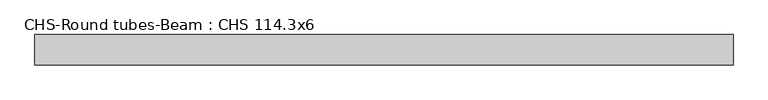
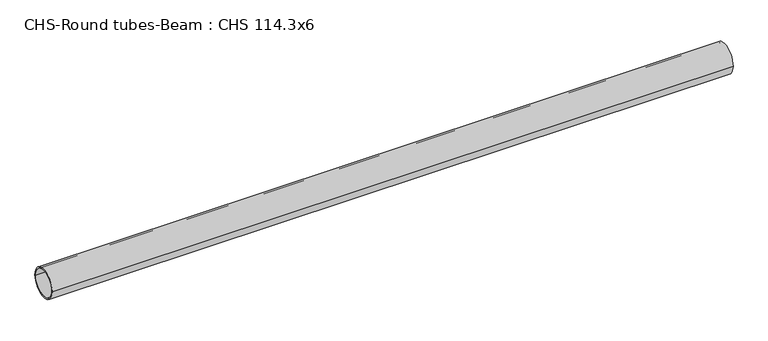
"""IFC4 building model written with IfcOpenShell, lengths in millimetres: beam geometry, CHS-Round tubes-Beam : CHS 114.3x6."""

import ifcopenshell
import ifcopenshell.guid

model = None  # the IFC model being written
_history = None  # IfcOwnerHistory: only IFC2X3 demands one
_inside = {}  # id of a spatial element -> (the spatial element, [elements in it])
_under = {}  # id of a project, library or spatial element -> (it, [spatial elements below it])
_declared = {}  # id of a project -> (the project, [libraries it declares])
_typed = {}  # id of a type object -> (the type object, [elements of that type])
_made_of = {}  # id of a material, layer set ... -> (it, [elements and type objects made of it])


def new_model(schema):
    """Start an empty IFC model of exactly this schema.

    Asked for "IFC4X3", IfcOpenShell would pick the latest addendum, in which some entities
    have other attributes; the version numbers below select the first issue.
    IFC2X3 requires an IfcOwnerHistory on every rooted entity: one is made here for all.
    """
    global model, _history
    if schema == "IFC4X3":
        model = ifcopenshell.file(schema_version=(4, 3, 0, 0))
    else:
        model = ifcopenshell.file(schema=schema)
    _inside.clear()
    _under.clear()
    _declared.clear()
    _typed.clear()
    _made_of.clear()
    _history = None
    if model.schema == "IFC2X3":
        org = make("IfcOrganization", Name="unknown")
        user = make(
            "IfcPersonAndOrganization",
            ThePerson=make("IfcPerson", FamilyName="unknown"),
            TheOrganization=org,
        )
        app = make(
            "IfcApplication",
            ApplicationDeveloper=org,
            Version="unknown",
            ApplicationFullName="unknown",
            ApplicationIdentifier="unknown",
        )
        _history = make(
            "IfcOwnerHistory",
            OwningUser=user,
            OwningApplication=app,
            ChangeAction="ADDED",
            CreationDate=0,
        )
    return model


def make(cls, **values):
    """One entity of the class cls with the attributes given. An attribute that is None is left unset."""
    return model.create_entity(
        cls, **{name: value for name, value in values.items() if value is not None}
    )


def rooted(cls, **values):
    """An entity with a GlobalId (a new one), such as an element, a storey or a relation."""
    return make(cls, GlobalId=ifcopenshell.guid.new(), OwnerHistory=_history, **values)


def si_unit(unit_type, name, prefix=None):
    """IfcSIUnit, for example si_unit("LENGTHUNIT", "METRE", prefix="MILLI")."""
    return make("IfcSIUnit", UnitType=unit_type, Prefix=prefix, Name=name)


def assignment(units):
    """IfcUnitAssignment: the units of a project."""
    return None if units is None else make("IfcUnitAssignment", Units=units)


def point(xyz):
    """IfcCartesianPoint."""
    return None if xyz is None else make("IfcCartesianPoint", Coordinates=xyz)


def direction(xyz):
    """IfcDirection."""
    return None if xyz is None else make("IfcDirection", DirectionRatios=xyz)


def frame(location, z_axis=None, x_axis=None):
    """IfcAxis2Placement3D, a coordinate frame: its origin and axes. An axis left out is left unset."""
    return make(
        "IfcAxis2Placement3D",
        Location=point(location),
        Axis=direction(z_axis),
        RefDirection=direction(x_axis),
    )


def frame_2d(location, x_axis=None):
    """IfcAxis2Placement2D, a coordinate frame in the plane: its origin and x axis."""
    return make(
        "IfcAxis2Placement2D", Location=point(location), RefDirection=direction(x_axis)
    )


def origin():
    """The frame at (0, 0, 0) with its axes left unset."""
    return frame((0.0, 0.0, 0.0))


def origin_2d():
    """The frame at (0, 0) in the plane with its x axis left unset."""
    return frame_2d((0.0, 0.0))


def place(relative_to, where):
    """IfcLocalPlacement: puts the frame where relative to a parent placement (None: the world)."""
    return make(
        "IfcLocalPlacement", PlacementRelTo=relative_to, RelativePlacement=where
    )


def context(
    kind, dimensions, precision=None, world=None, true_north=None, identifier=None
):
    """IfcGeometricRepresentationContext, for example the 3D "Model" context."""
    return make(
        "IfcGeometricRepresentationContext",
        ContextIdentifier=identifier,
        ContextType=kind,
        CoordinateSpaceDimension=dimensions,
        Precision=precision,
        WorldCoordinateSystem=world,
        TrueNorth=true_north,
    )


def project(units=None, contexts=None):
    """IfcProject with its units and contexts."""
    return rooted(
        "IfcProject",
        Name="project",
        RepresentationContexts=contexts,
        UnitsInContext=assignment(units),
    )


def spatial(cls, under=None, at=None, **own):
    """A site, building, storey or space (cls), placed at a placement, below another one or the project."""
    s = rooted(cls, ObjectPlacement=at, **own)
    if under is not None:
        _under.setdefault(under.id(), (under, []))[1].append(s)
    return s


def circle_curve(where, radius):
    """IfcCircle in the frame where."""
    return make("IfcCircle", Position=where, Radius=radius)


def trimmed(basis, trim1, trim2, sense, master):
    """IfcTrimmedCurve: the piece of a basis curve between two trims."""
    return make(
        "IfcTrimmedCurve",
        BasisCurve=basis,
        Trim1=trim1,
        Trim2=trim2,
        SenseAgreement=sense,
        MasterRepresentation=master,
    )


def segment(curve, same_sense, transition):
    """IfcCompositeCurveSegment."""
    return make(
        "IfcCompositeCurveSegment",
        Transition=transition,
        SameSense=same_sense,
        ParentCurve=curve,
    )


def composite_curve(segments, self_intersect=None):
    """IfcCompositeCurve: segments joined end to end."""
    return make("IfcCompositeCurve", Segments=segments, SelfIntersect=self_intersect)


def outline(outer, holes=None, kind="AREA"):
    """IfcArbitraryClosedProfileDef: a profile drawn as a closed curve; with holes, ...WithVoids."""
    if holes is None:
        return make("IfcArbitraryClosedProfileDef", ProfileType=kind, OuterCurve=outer)
    return make(
        "IfcArbitraryProfileDefWithVoids",
        ProfileType=kind,
        OuterCurve=outer,
        InnerCurves=holes,
    )


def extrude(swept, where, along, depth):
    """IfcExtrudedAreaSolid: the profile swept, set in the frame where, extruded along a direction by depth."""
    return make(
        "IfcExtrudedAreaSolid",
        SweptArea=swept,
        Position=where,
        ExtrudedDirection=direction(along),
        Depth=depth,
    )


def shape(context_of_items, identifier, shape_type, items):
    """IfcShapeRepresentation: the items that make up one representation, for example the "Body"."""
    return make(
        "IfcShapeRepresentation",
        ContextOfItems=context_of_items,
        RepresentationIdentifier=identifier,
        RepresentationType=shape_type,
        Items=items,
    )


def source(mapping_origin, context_of_items, identifier, shape_type, items):
    """IfcRepresentationMap: a shape defined once, which mapped items show again and again."""
    return make(
        "IfcRepresentationMap",
        MappingOrigin=mapping_origin,
        MappedRepresentation=shape(context_of_items, identifier, shape_type, items),
    )


def transform(
    local_origin,
    x_axis=None,
    y_axis=None,
    z_axis=None,
    scale=None,
    scale2=None,
    scale3=None,
    uniform=True,
):
    """IfcCartesianTransformationOperator3D, or its non-uniform kind. x_axis, y_axis, z_axis: its Axis1, 2, 3."""
    if uniform:
        return make(
            "IfcCartesianTransformationOperator3D",
            Axis1=direction(x_axis),
            Axis2=direction(y_axis),
            LocalOrigin=point(local_origin),
            Scale=scale,
            Axis3=direction(z_axis),
        )
    return make(
        "IfcCartesianTransformationOperator3DnonUniform",
        Axis1=direction(x_axis),
        Axis2=direction(y_axis),
        LocalOrigin=point(local_origin),
        Scale=scale,
        Axis3=direction(z_axis),
        Scale2=scale2,
        Scale3=scale3,
    )


def mapped(mapping_source, mapping_target):
    """IfcMappedItem: shows the shape of a source again, moved by a transform."""
    return make(
        "IfcMappedItem", MappingSource=mapping_source, MappingTarget=mapping_target
    )


def made_of(thing, what):
    """Note that an element or type object is made of a material, layer set ...; save() writes the relation."""
    if what is not None:
        _made_of.setdefault(what.id(), (what, []))[1].append(thing)
    return thing


def element(
    cls,
    number,
    at=None,
    inside=None,
    cuts=None,
    type_object=None,
    material=None,
    context=None,
    identifier="Body",
    shape_type=None,
    held_by="IfcProductDefinitionShape",
    body=None,
    shapes=None,
    **own,
):
    """One element of the class cls, such as IfcWall. Its Tag is "e" and its number.

    at: its placement. inside: the storey or other place that contains it. cuts: it is an
    opening in that element (IfcRelVoidsElement). A single representation is given by context,
    identifier, shape_type and body (its items); several are given by shapes. held_by: the class
    of the entity that holds the representations. save() writes the other relations.
    """
    e = rooted(cls, Tag="e%d" % number, ObjectPlacement=at, **own)
    if body is not None:
        shapes = [shape(context, identifier, shape_type, body)]
    if shapes is not None:
        e.Representation = make(held_by, Representations=shapes)
    if inside is not None:
        _inside.setdefault(inside.id(), (inside, []))[1].append(e)
    if cuts is not None:
        rooted(
            "IfcRelVoidsElement", RelatingBuildingElement=cuts, RelatedOpeningElement=e
        )
    if type_object is not None:
        _typed.setdefault(type_object.id(), (type_object, []))[1].append(e)
    return made_of(e, material)


def aggregate(whole, parts):
    """IfcRelAggregates: a whole, such as a stair, and the parts it consists of."""
    return rooted("IfcRelAggregates", RelatingObject=whole, RelatedObjects=parts)


def save(model, path):
    """Write the relations noted so far, then the file.

    IfcRelAggregates (storeys below a building ...), IfcRelContainedInSpatialStructure (elements
    in a storey), IfcRelDefinesByType, IfcRelAssociatesMaterial and IfcRelDeclares: one each for
    every whole, place, type object, material and project.
    """
    for whole, parts in _under.values():
        aggregate(whole, parts)
    for where, things in _inside.values():
        rooted(
            "IfcRelContainedInSpatialStructure",
            RelatedElements=things,
            RelatingStructure=where,
        )
    for kind, things in _typed.values():
        rooted("IfcRelDefinesByType", RelatedObjects=things, RelatingType=kind)
    for what, things in _made_of.values():
        rooted("IfcRelAssociatesMaterial", RelatedObjects=things, RelatingMaterial=what)
    for by, libraries in _declared.values():
        rooted("IfcRelDeclares", RelatingContext=by, RelatedDefinitions=libraries)
    model.write(path)


def chs_round_tubes_beam_chs_114_3x6_bca8c267(model_context):
    return source(origin(), model_context, "Body", "SweptSolid", [
        extrude(outline(composite_curve([segment(trimmed(circle_curve(origin_2d(), 57.15), [point((57.15, 0.0))], [point((-57.15, 0.0))], False, "CARTESIAN"), True, "CONTINUOUS"), segment(trimmed(circle_curve(origin_2d(), 57.15), [point((-57.15, 0.0))], [point((57.15, 0.0))], False, "CARTESIAN"), True, "CONTINUOUS")], self_intersect=False), holes=[composite_curve([segment(trimmed(circle_curve(origin_2d(), 51.15), [point((51.15, 0.0))], [point((-51.15, 0.0))], True, "CARTESIAN"), True, "CONTINUOUS"), segment(trimmed(circle_curve(origin_2d(), 51.15), [point((-51.15, 0.0))], [point((51.15, 0.0))], True, "CARTESIAN"), True, "CONTINUOUS")], self_intersect=False)]), frame((-1305.9863304, 0.0, 0.0), z_axis=(1.0, 0.0, 0.0), x_axis=(0.0, 1.0, 0.0)), (0.0, 0.0, 1.0), 2614.0491184),
    ])


if __name__ == "__main__":
    model = new_model("IFC4")
    model_context = context("Model", 3, world=origin())
    ifc_project = project(units=[si_unit("LENGTHUNIT", "METRE", prefix="MILLI")], contexts=[model_context])
    site = spatial("IfcSite", under=ifc_project)
    building = spatial("IfcBuilding", under=site)
    placement = place(None, origin())
    chs_round_tubes_beam_chs_114_3x6_shape = chs_round_tubes_beam_chs_114_3x6_bca8c267(model_context)
    element("IfcBeam", 1, ObjectType="CHS-Round tubes-Beam : CHS 114.3x6", at=placement, inside=building, context=model_context, shape_type="MappedRepresentation", body=[
        mapped(chs_round_tubes_beam_chs_114_3x6_shape, transform((0.0, 0.0, 0.0), x_axis=(1.0, 0.0, 0.0), y_axis=(0.0, 1.0, 0.0), z_axis=(0.0, 0.0, 1.0))),
    ])
    save(model, "model.ifc")
